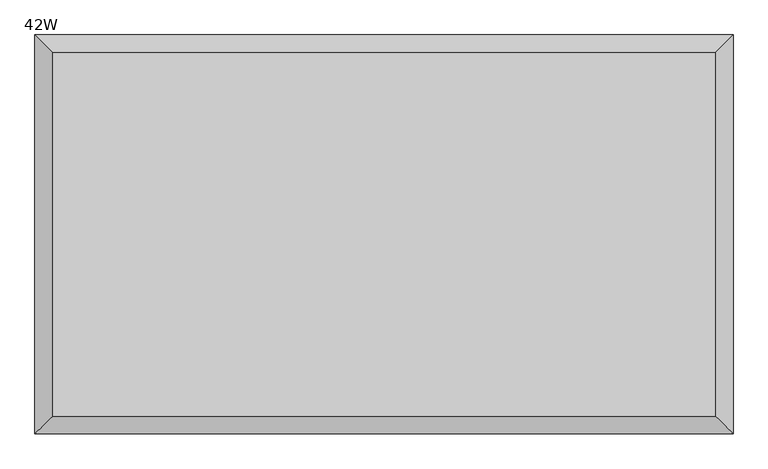
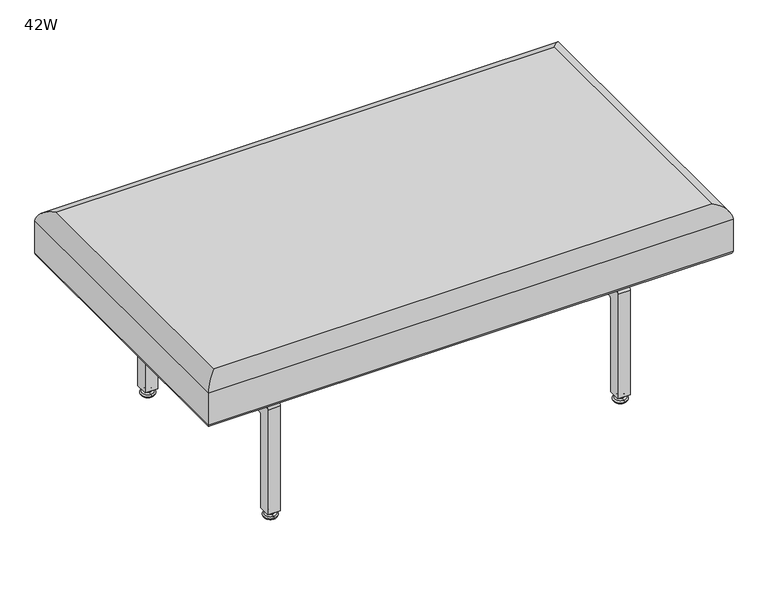
"""IFC4 building model written with IfcOpenShell, lengths in millimetres: furniture geometry, 42W."""

from ifc_helpers import new_model, si_unit, point, frame, frame_2d, origin, place, context, project, spatial, polyline, circle_curve, ellipse_curve, trimmed, segment, composite_curve, outline, extrude, source, transform, mapped, element, save
from ifc_brep_helpers import plane_surface, cylinder_surface, revolved_surface, advanced_brep


def furniture_42w_888a0bf0(model_context):
    return source(origin(), model_context, "Body", "SolidModel", [
        extrude(outline(composite_curve([segment(polyline([(-533.8314417, 14.1031489), (-533.8314417, 239.2936032)]), True, "CONTINUOUS"), segment(trimmed(circle_curve(frame_2d((-528.9508502, 239.2936032)), 4.8805915), [point((-533.8314417, 239.2936032))], [point((-528.9508502, 244.1741947))], False, "CARTESIAN"), True, "CONTINUOUS"), segment(polyline([(-528.9508502, 244.1741947), (-81.1347808, 244.1741947)]), True, "CONTINUOUS"), segment(trimmed(circle_curve(frame_2d((-81.1347808, 239.2936032)), 4.8805915), [point((-81.1347808, 244.1741947))], [point((-76.2541893, 239.2936032))], False, "CARTESIAN"), True, "CONTINUOUS"), segment(polyline([(-76.2541893, 239.2936032), (-76.2541893, 14.1031489), (-101.6541893, 14.1031489), (-101.6541893, 215.7082732)]), True, "CONTINUOUS"), segment(trimmed(circle_curve(frame_2d((-104.7201592, 215.7082732)), 3.06597), [point((-101.6541893, 215.7082732))], [point((-104.7201592, 218.7742432))], True, "CARTESIAN"), True, "CONTINUOUS"), segment(polyline([(-104.7201592, 218.7742432), (-505.3654717, 218.7742432)]), True, "CONTINUOUS"), segment(trimmed(circle_curve(frame_2d((-505.3654717, 215.7082732)), 3.06597), [point((-505.3654717, 218.7742432))], [point((-508.4314417, 215.7082732))], True, "CARTESIAN"), True, "CONTINUOUS"), segment(polyline([(-508.4314417, 215.7082732), (-508.4314417, 14.1031489), (-533.8314417, 14.1031489)]), True, "CONTINUOUS")], self_intersect=False)), frame((165.1, 0.0, 0.0), z_axis=(1.0, 0.0, 0.0), x_axis=(0.0, 1.0, 0.0)), (0.0, 0.0, 1.0), 25.4),
        extrude(outline(polyline([(211.3033329, -488.9499758), (144.6283329, -488.9499758), (144.6283329, -463.5233301), (211.3033329, -463.5233301), (211.3033329, -488.9499758)])), frame((0.0, 0.0, 244.2209457), z_axis=(0.0, 0.0, 1.0), x_axis=(1.0, 0.0, 0.0)), (0.0, 0.0, 1.0), 3.0479971),
        extrude(outline(polyline([(922.5034782, -488.9499758), (855.8284298, -488.9499758), (855.8284298, -463.5233301), (922.5034782, -463.5233301), (922.5034782, -488.9499758)])), frame((0.0, 0.0, 244.2209215), z_axis=(0.0, 0.0, 1.0), x_axis=(1.0, 0.0, 0.0)), (0.0, 0.0, 1.0), 3.0480213),
        advanced_brep(
        [(27.2635975, -27.2647171, 405.8895176), (27.2635975, -582.3355789, 405.8895176), (1039.5428944, -582.3355789, 405.8895176), (1039.5428944, -27.2647171, 405.8895176), (6.3491764, -603.25, 304.2919641), (6.3491764, -6.350296, 304.2919641), (1060.4573154, -6.350296, 304.2919641), (1060.4573154, -603.25, 304.2919641), (-0.0008236, -0.000296, 310.6419641), (-0.0008236, -609.6, 310.6419641), (-0.0008236, -609.6, 379.4503267), (-0.0008236, -0.000296, 379.4503267), (1066.8073154, -609.6, 310.6419641), (1066.8073154, -609.6, 379.4503267), (1066.8073154, -0.000296, 310.6419641), (1066.8073154, -0.000296, 379.4503267)],
        [
            (0, 1),
            (1, 2),
            (2, 3),
            (3, 0),
            (4, 5),
            (5, 6),
            (6, 7),
            (7, 4),
            (8, 5, ellipse_curve(frame((6.3491764, -6.350296, 310.6419641), z_axis=(-0.7071067811865475, -0.7071067811865475, 0.0), x_axis=(-0.7071067811865474, 0.7071067811865476, 0.0)), 8.9802561, 6.35)),
            (4, 9, ellipse_curve(frame((6.3491764, -603.25, 310.6419641), z_axis=(-0.7071067811865475, 0.7071067811865475, 0.0), x_axis=(0.7071067811865474, 0.7071067811865476, 0.0)), 8.9802561, 6.35)),
            (9, 8),
            (9, 10),
            (10, 11),
            (11, 8),
            (10, 1, ellipse_curve(frame((26.4508562, -583.1483202, 379.4503267), z_axis=(-0.7071067811865475, 0.7071067811865475, 0.0), x_axis=(0.7071067811865474, 0.7071067811865476, 0.0)), 37.4083243, 26.4516798)),
            (0, 11, ellipse_curve(frame((26.4508562, -26.4519758, 379.4503267), z_axis=(-0.7071067811865475, -0.7071067811865475, 0.0), x_axis=(-0.7071067811865474, 0.7071067811865476, 0.0)), 37.4083243, 26.4516798)),
            (7, 12, ellipse_curve(frame((1060.4573154, -603.25, 310.6419641), z_axis=(-0.7071067811865475, -0.7071067811865475, 0.0), x_axis=(-0.7071067811865476, 0.7071067811865474, 0.0)), 8.9802561, 6.35)),
            (12, 9),
            (12, 13),
            (13, 10),
            (13, 2, ellipse_curve(frame((1040.3556356, -583.1483202, 379.4503267), z_axis=(-0.7071067811865475, -0.7071067811865475, 0.0), x_axis=(-0.7071067811865476, 0.7071067811865474, 0.0)), 37.4083243, 26.4516798)),
            (6, 14, ellipse_curve(frame((1060.4573154, -6.350296, 310.6419641), z_axis=(0.7071067811865475, -0.7071067811865475, 0.0), x_axis=(-0.7071067811865474, -0.7071067811865476, 0.0)), 8.9802561, 6.35)),
            (14, 12),
            (14, 15),
            (15, 13),
            (15, 3, ellipse_curve(frame((1040.3556356, -26.4519758, 379.4503267), z_axis=(0.7071067811865475, -0.7071067811865475, 0.0), x_axis=(-0.7071067811865474, -0.7071067811865476, 0.0)), 37.4083243, 26.4516798)),
            (8, 14),
            (11, 15),
        ],
        [
            plane_surface(frame((27.2635975, -582.3355789, 405.8895176), z_axis=(0.0, 0.0, 1.0), x_axis=(1.0, 0.0, 0.0))),
            plane_surface(frame((27.2635975, -582.3355789, 304.2919641), z_axis=(0.0, 0.0, -1.0), x_axis=(-1.0, 0.0, 0.0))),
            cylinder_surface(frame((6.3491764, -27.2647171, 310.6419641), z_axis=(0.0, 1.0, 0.0), x_axis=(1.0, 0.0, 0.0)), 6.35),
            plane_surface(frame((-0.0008236, -0.000296, 310.6419641), z_axis=(-1.0, 0.0, 0.0), x_axis=(0.0, -1.0, 0.0))),
            cylinder_surface(frame((26.4508562, -27.2647171, 379.4503267), z_axis=(0.0, 1.0, 0.0), x_axis=(1.0, 0.0, 0.0)), 26.4516798),
            cylinder_surface(frame((27.2635975, -603.25, 310.6419641), z_axis=(-1.0, 0.0, 0.0), x_axis=(0.0, 1.0, 0.0)), 6.35),
            plane_surface(frame((-0.0008236, -609.6, 310.6419641), z_axis=(0.0, -1.0, 0.0), x_axis=(1.0, 0.0, 0.0))),
            cylinder_surface(frame((27.2635975, -583.1483202, 379.4503267), z_axis=(-1.0, 0.0, 0.0), x_axis=(0.0, 1.0, 0.0)), 26.4516798),
            cylinder_surface(frame((1060.4573154, -582.3355789, 310.6419641), z_axis=(0.0, -1.0, 0.0), x_axis=(-1.0, 0.0, 0.0)), 6.35),
            plane_surface(frame((1066.8073154, -609.6, 310.6419641), z_axis=(1.0, 0.0, 0.0), x_axis=(0.0, 1.0, 0.0))),
            cylinder_surface(frame((1040.3556356, -582.3355789, 379.4503267), z_axis=(0.0, -1.0, 0.0), x_axis=(-1.0, 0.0, 0.0)), 26.4516798),
            cylinder_surface(frame((1039.5428944, -6.350296, 310.6419641), z_axis=(1.0, 0.0, 0.0), x_axis=(0.0, -1.0, 0.0)), 6.35),
            plane_surface(frame((1066.8073154, -0.000296, 310.6419641), z_axis=(0.0, 1.0, 0.0), x_axis=(-1.0, 0.0, 0.0))),
            cylinder_surface(frame((1039.5428944, -26.4519758, 379.4503267), z_axis=(1.0, 0.0, 0.0), x_axis=(0.0, -1.0, 0.0)), 26.4516798),
        ],
        [
            (0, [[1, 2, 3, 4]]),
            (1, [[5, 6, 7, 8]]),
            (2, [[9, -5, 10, 11]]),
            (3, [[-11, 12, 13, 14]]),
            (4, [[-13, 15, -1, 16]]),
            (5, [[-10, -8, 17, 18]]),
            (6, [[-12, -18, 19, 20]]),
            (7, [[-15, -20, 21, -2]]),
            (8, [[-17, -7, 22, 23]]),
            (9, [[-19, -23, 24, 25]]),
            (10, [[-21, -25, 26, -3]]),
            (11, [[-9, 27, -22, -6]]),
            (12, [[-14, 28, -24, -27]]),
            (13, [[-16, -4, -26, -28]]),
        ],
    ),
        advanced_brep(
        [(889.0, -517.263053, 14.8752118), (889.0, -523.8864641, 14.8752118), (889.0, -520.5747585, 14.8752118), (889.0, -516.6761153, 13.858606), (889.0, -524.4734018, 13.858606), (889.0, -512.6441416, 11.2402116), (889.0, -528.5053755, 11.2402116), (889.0, -512.6441416, 8.74896), (889.0, -528.5053755, 8.74896), (889.0, -514.2258107, 8.74896), (889.0, -526.9237063, 8.74896), (889.0, -509.3661917, 5.9432577), (889.0, -531.7833254, 5.9432577), (889.0, -506.175536, 3.5556814), (889.0, -534.9739811, 3.5556814), (889.0, -508.2284272, 0.0), (889.0, -532.9210899, 0.0), (889.0, -520.5747585, 0.0)],
        [
            (0, 1, circle_curve(frame((889.0, -520.5747585, 14.8752118), z_axis=(0.0, 0.0, 1.0), x_axis=(0.0, -1.0, 0.0)), 3.3117056)),
            (1, 2),
            (2, 0),
            (1, 0, circle_curve(frame((889.0, -520.5747585, 14.8752118), z_axis=(0.0, 0.0, 1.0), x_axis=(0.0, -1.0, 0.0)), 3.3117056)),
            (3, 4, circle_curve(frame((889.0, -520.5747585, 13.858606), z_axis=(0.0, 0.0, 1.0), x_axis=(0.0, -1.0, 0.0)), 3.8986433)),
            (4, 1),
            (0, 3),
            (4, 3, circle_curve(frame((889.0, -520.5747585, 13.858606), z_axis=(0.0, 0.0, 1.0), x_axis=(0.0, -1.0, 0.0)), 3.8986433)),
            (5, 6, circle_curve(frame((889.0, -520.5747585, 11.2402116), z_axis=(0.0, 0.0, 1.0), x_axis=(0.0, -1.0, 0.0)), 7.930617)),
            (6, 4),
            (3, 5),
            (6, 5, circle_curve(frame((889.0, -520.5747585, 11.2402116), z_axis=(0.0, 0.0, 1.0), x_axis=(0.0, -1.0, 0.0)), 7.930617)),
            (7, 8, circle_curve(frame((889.0, -520.5747585, 8.74896), z_axis=(0.0, 0.0, 1.0), x_axis=(0.0, -1.0, 0.0)), 7.930617)),
            (8, 6),
            (5, 7),
            (8, 7, circle_curve(frame((889.0, -520.5747585, 8.74896), z_axis=(0.0, 0.0, 1.0), x_axis=(0.0, -1.0, 0.0)), 7.930617)),
            (9, 10, circle_curve(frame((889.0, -520.5747585, 8.74896), z_axis=(0.0, 0.0, 1.0), x_axis=(0.0, -1.0, 0.0)), 6.3489478)),
            (10, 8),
            (7, 9),
            (10, 9, circle_curve(frame((889.0, -520.5747585, 8.74896), z_axis=(0.0, 0.0, 1.0), x_axis=(0.0, -1.0, 0.0)), 6.3489478)),
            (11, 12, circle_curve(frame((889.0, -520.5747585, 5.9432577), z_axis=(0.0, 0.0, 1.0), x_axis=(0.0, -1.0, 0.0)), 11.2085669)),
            (12, 10, circle_curve(frame((889.0, -531.4359513, 10.9529929), z_axis=(1.0, 0.0, 0.0), x_axis=(0.0, -1.0, 0.0)), 5.0217642)),
            (9, 11, circle_curve(frame((889.0, -509.7135657, 10.9529929), z_axis=(1.0, 0.0, 0.0), x_axis=(0.0, 1.0, 0.0)), 5.0217642)),
            (12, 11, circle_curve(frame((889.0, -520.5747585, 5.9432577), z_axis=(0.0, 0.0, 1.0), x_axis=(0.0, -1.0, 0.0)), 11.2085669)),
            (13, 14, circle_curve(frame((889.0, -520.5747585, 3.5556814), z_axis=(0.0, 0.0, 1.0), x_axis=(0.0, -1.0, 0.0)), 14.3992226)),
            (14, 12, circle_curve(frame((889.0, -531.9943736, 2.8995769), z_axis=(-1.0, 0.0, 0.0), x_axis=(0.0, -1.0, 0.0)), 3.050989)),
            (11, 13, circle_curve(frame((889.0, -509.1551434, 2.8995769), z_axis=(-1.0, 0.0, 0.0), x_axis=(0.0, 1.0, 0.0)), 3.050989)),
            (14, 13, circle_curve(frame((889.0, -520.5747585, 3.5556814), z_axis=(0.0, 0.0, 1.0), x_axis=(0.0, -1.0, 0.0)), 14.3992226)),
            (15, 16, circle_curve(frame((889.0, -520.5747585, 0.0), z_axis=(0.0, 0.0, 1.0), x_axis=(0.0, -1.0, 0.0)), 12.3463313)),
            (16, 14),
            (13, 15),
            (16, 15, circle_curve(frame((889.0, -520.5747585, 0.0), z_axis=(0.0, 0.0, 1.0), x_axis=(0.0, -1.0, 0.0)), 12.3463313)),
            (17, 16),
            (15, 17),
        ],
        [
            plane_surface(frame((889.0, -520.5747585, 14.8752118), z_axis=(0.0, 0.0, 1.0), x_axis=(0.0, -1.0, 0.0))),
            revolved_surface(polyline([(889.0, -523.8864641, 14.8752118), (889.0, -524.4734018, 13.858606)]), (889.0, -520.5747585, 0.0), (0.0, 0.0, -1.0)),
            revolved_surface(polyline([(889.0, -524.4734018, 13.858606), (889.0, -528.5053755, 11.2402116)]), (889.0, -520.5747585, 0.0), (0.0, 0.0, -1.0)),
            cylinder_surface(frame((889.0, -520.5747585, 0.0), z_axis=(0.0, 0.0, -1.0), x_axis=(0.0, -1.0, 0.0)), 7.930617),
            plane_surface(frame((889.0, -520.5747585, 8.74896), z_axis=(0.0, 0.0, -1.0), x_axis=(0.0, -1.0, 0.0))),
            revolved_surface(trimmed(ellipse_curve(frame((889.0, -531.4359513, 10.9529929), z_axis=(-1.0, 0.0, 0.0), x_axis=(0.0, -1.0, 0.0)), 5.0217642, 5.0217642), [point((889.0, -526.9237063, 8.74896))], [point((889.0, -531.7833254, 5.9432577))], True, "CARTESIAN"), (889.0, -520.5747585, 0.0), (0.0, 0.0, -1.0)),
            revolved_surface(trimmed(ellipse_curve(frame((889.0, -531.9943736, 2.8995769), z_axis=(1.0, 0.0, 0.0), x_axis=(0.0, -1.0, 0.0)), 3.050989, 3.050989), [point((889.0, -531.7833254, 5.9432577))], [point((889.0, -534.9739811, 3.5556814))], True, "CARTESIAN"), (889.0, -520.5747585, 0.0), (0.0, 0.0, -1.0)),
            revolved_surface(polyline([(889.0, -534.9739811, 3.5556814), (889.0, -532.9210899, 0.0)]), (889.0, -520.5747585, 0.0), (0.0, 0.0, -1.0)),
            plane_surface(frame((889.0, -520.5747585, 0.0), z_axis=(0.0, 0.0, -1.0), x_axis=(0.0, -1.0, 0.0))),
        ],
        [
            (0, [[1, 2, 3]]),
            (0, [[4, -3, -2]]),
            (1, [[5, 6, -1, 7]]),
            (1, [[8, -7, -4, -6]]),
            (2, [[9, 10, -5, 11]]),
            (2, [[12, -11, -8, -10]]),
            (3, [[13, 14, -9, 15]]),
            (3, [[16, -15, -12, -14]]),
            (4, [[17, 18, -13, 19]]),
            (4, [[20, -19, -16, -18]]),
            (5, [[21, 22, -17, 23]]),
            (5, [[24, -23, -20, -22]]),
            (6, [[25, 26, -21, 27]]),
            (6, [[28, -27, -24, -26]]),
            (7, [[29, 30, -25, 31]]),
            (7, [[32, -31, -28, -30]]),
            (8, [[33, -29, 34]]),
            (8, [[-34, -32, -33]]),
        ],
    ),
        advanced_brep(
        [(889.0, -89.0117226, 14.8752118), (889.0, -85.700017, 14.8752118), (889.0, -92.3234282, 14.8752118), (889.0, -85.1130793, 13.858606), (889.0, -92.9103659, 13.858606), (889.0, -81.0811056, 11.2402116), (889.0, -96.9423395, 11.2402116), (889.0, -81.0811056, 8.74896), (889.0, -96.9423395, 8.74896), (889.0, -82.6627748, 8.74896), (889.0, -95.3606704, 8.74896), (889.0, -77.8031557, 5.9432577), (889.0, -100.2202895, 5.9432577), (889.0, -74.6125, 3.5556814), (889.0, -103.4109452, 3.5556814), (889.0, -76.6653912, 0.0), (889.0, -101.3580539, 0.0), (889.0, -89.0117226, 0.0)],
        [
            (0, 1),
            (1, 2, circle_curve(frame((889.0, -89.0117226, 14.8752118), z_axis=(0.0, 0.0, 1.0), x_axis=(0.0, 1.0, 0.0)), 3.3117056)),
            (2, 0),
            (2, 1, circle_curve(frame((889.0, -89.0117226, 14.8752118), z_axis=(0.0, 0.0, 1.0), x_axis=(0.0, 1.0, 0.0)), 3.3117056)),
            (1, 3),
            (3, 4, circle_curve(frame((889.0, -89.0117226, 13.858606), z_axis=(0.0, 0.0, 1.0), x_axis=(0.0, 1.0, 0.0)), 3.8986433)),
            (4, 2),
            (4, 3, circle_curve(frame((889.0, -89.0117226, 13.858606), z_axis=(0.0, 0.0, 1.0), x_axis=(0.0, 1.0, 0.0)), 3.8986433)),
            (3, 5),
            (5, 6, circle_curve(frame((889.0, -89.0117226, 11.2402116), z_axis=(0.0, 0.0, 1.0), x_axis=(0.0, 1.0, 0.0)), 7.930617)),
            (6, 4),
            (6, 5, circle_curve(frame((889.0, -89.0117226, 11.2402116), z_axis=(0.0, 0.0, 1.0), x_axis=(0.0, 1.0, 0.0)), 7.930617)),
            (5, 7),
            (7, 8, circle_curve(frame((889.0, -89.0117226, 8.74896), z_axis=(0.0, 0.0, 1.0), x_axis=(0.0, 1.0, 0.0)), 7.930617)),
            (8, 6),
            (8, 7, circle_curve(frame((889.0, -89.0117226, 8.74896), z_axis=(0.0, 0.0, 1.0), x_axis=(0.0, 1.0, 0.0)), 7.930617)),
            (7, 9),
            (9, 10, circle_curve(frame((889.0, -89.0117226, 8.74896), z_axis=(0.0, 0.0, 1.0), x_axis=(0.0, 1.0, 0.0)), 6.3489478)),
            (10, 8),
            (10, 9, circle_curve(frame((889.0, -89.0117226, 8.74896), z_axis=(0.0, 0.0, 1.0), x_axis=(0.0, 1.0, 0.0)), 6.3489478)),
            (9, 11, circle_curve(frame((889.0, -78.1505298, 10.9529929), z_axis=(1.0, 0.0, 0.0), x_axis=(0.0, -1.0, 0.0)), 5.0217642)),
            (11, 12, circle_curve(frame((889.0, -89.0117226, 5.9432577), z_axis=(0.0, 0.0, 1.0), x_axis=(0.0, 1.0, 0.0)), 11.2085669)),
            (12, 10, circle_curve(frame((889.0, -99.8729154, 10.9529929), z_axis=(1.0, 0.0, 0.0), x_axis=(0.0, 1.0, 0.0)), 5.0217642)),
            (12, 11, circle_curve(frame((889.0, -89.0117226, 5.9432577), z_axis=(0.0, 0.0, 1.0), x_axis=(0.0, 1.0, 0.0)), 11.2085669)),
            (11, 13, circle_curve(frame((889.0, -77.5921075, 2.8995769), z_axis=(-1.0, 0.0, 0.0), x_axis=(0.0, -1.0, 0.0)), 3.050989)),
            (13, 14, circle_curve(frame((889.0, -89.0117226, 3.5556814), z_axis=(0.0, 0.0, 1.0), x_axis=(0.0, 1.0, 0.0)), 14.3992226)),
            (14, 12, circle_curve(frame((889.0, -100.4313377, 2.8995769), z_axis=(-1.0, 0.0, 0.0), x_axis=(0.0, 1.0, 0.0)), 3.050989)),
            (14, 13, circle_curve(frame((889.0, -89.0117226, 3.5556814), z_axis=(0.0, 0.0, 1.0), x_axis=(0.0, 1.0, 0.0)), 14.3992226)),
            (13, 15),
            (15, 16, circle_curve(frame((889.0, -89.0117226, 0.0), z_axis=(0.0, 0.0, 1.0), x_axis=(0.0, 1.0, 0.0)), 12.3463313)),
            (16, 14),
            (16, 15, circle_curve(frame((889.0, -89.0117226, 0.0), z_axis=(0.0, 0.0, 1.0), x_axis=(0.0, 1.0, 0.0)), 12.3463313)),
            (15, 17),
            (17, 16),
        ],
        [
            plane_surface(frame((889.0, -89.0117226, 14.8752118), z_axis=(0.0, 0.0, 1.0), x_axis=(0.0, 1.0, 0.0))),
            revolved_surface(polyline([(889.0, -85.1130793, 13.858606), (889.0, -85.700017, 14.8752118)]), (889.0, -89.0117226, 0.0), (0.0, 0.0, 1.0)),
            revolved_surface(polyline([(889.0, -81.0811056, 11.2402116), (889.0, -85.1130793, 13.858606)]), (889.0, -89.0117226, 0.0), (0.0, 0.0, 1.0)),
            cylinder_surface(frame((889.0, -89.0117226, 0.0), z_axis=(0.0, 0.0, 1.0), x_axis=(0.0, 1.0, 0.0)), 7.930617),
            plane_surface(frame((889.0, -89.0117226, 8.74896), z_axis=(0.0, 0.0, -1.0), x_axis=(0.0, 1.0, 0.0))),
            revolved_surface(trimmed(ellipse_curve(frame((889.0, -78.1505298, 10.9529929), z_axis=(-1.0, 0.0, 0.0), x_axis=(0.0, -1.0, 0.0)), 5.0217642, 5.0217642), [point((889.0, -77.8031557, 5.9432577))], [point((889.0, -82.6627748, 8.74896))], True, "CARTESIAN"), (889.0, -89.0117226, 0.0), (0.0, 0.0, 1.0)),
            revolved_surface(trimmed(ellipse_curve(frame((889.0, -77.5921075, 2.8995769), z_axis=(1.0, 0.0, 0.0), x_axis=(0.0, -1.0, 0.0)), 3.050989, 3.050989), [point((889.0, -74.6125, 3.5556814))], [point((889.0, -77.8031557, 5.9432577))], True, "CARTESIAN"), (889.0, -89.0117226, 0.0), (0.0, 0.0, 1.0)),
            revolved_surface(polyline([(889.0, -76.6653912, 0.0), (889.0, -74.6125, 3.5556814)]), (889.0, -89.0117226, 0.0), (0.0, 0.0, 1.0)),
            plane_surface(frame((889.0, -89.0117226, 0.0), z_axis=(0.0, 0.0, -1.0), x_axis=(0.0, 1.0, 0.0))),
        ],
        [
            (0, [[1, 2, 3]]),
            (0, [[-3, 4, -1]]),
            (1, [[-2, 5, 6, 7]]),
            (1, [[-4, -7, 8, -5]]),
            (2, [[-6, 9, 10, 11]]),
            (2, [[-8, -11, 12, -9]]),
            (3, [[-10, 13, 14, 15]]),
            (3, [[-12, -15, 16, -13]]),
            (4, [[-14, 17, 18, 19]]),
            (4, [[-16, -19, 20, -17]]),
            (5, [[-18, 21, 22, 23]]),
            (5, [[-20, -23, 24, -21]]),
            (6, [[-22, 25, 26, 27]]),
            (6, [[-24, -27, 28, -25]]),
            (7, [[-26, 29, 30, 31]]),
            (7, [[-28, -31, 32, -29]]),
            (8, [[-30, 33, 34]]),
            (8, [[-32, -34, -33]]),
        ],
    ),
        advanced_brep(
        [(177.8, -520.5747585, 14.8752118), (177.8, -523.8864641, 14.8752118), (177.8, -517.263053, 14.8752118), (177.8, -524.4734018, 13.858606), (177.8, -516.6761153, 13.858606), (177.8, -528.5053755, 11.2402116), (177.8, -512.6441416, 11.2402116), (177.8, -528.5053755, 8.74896), (177.8, -512.6441416, 8.74896), (177.8, -526.9237063, 8.74896), (177.8, -514.2258107, 8.74896), (177.8, -531.7833254, 5.9432577), (177.8, -509.3661917, 5.9432577), (177.8, -534.9739811, 3.5556814), (177.8, -506.175536, 3.5556814), (177.8, -532.9210899, 0.0), (177.8, -508.2284272, 0.0), (177.8, -520.5747585, 0.0)],
        [
            (0, 1),
            (1, 2, circle_curve(frame((177.8, -520.5747585, 14.8752118), z_axis=(0.0, 0.0, 1.0), x_axis=(0.0, -1.0, 0.0)), 3.3117056)),
            (2, 0),
            (2, 1, circle_curve(frame((177.8, -520.5747585, 14.8752118), z_axis=(0.0, 0.0, 1.0), x_axis=(0.0, -1.0, 0.0)), 3.3117056)),
            (1, 3),
            (3, 4, circle_curve(frame((177.8, -520.5747585, 13.858606), z_axis=(0.0, 0.0, 1.0), x_axis=(0.0, -1.0, 0.0)), 3.8986433)),
            (4, 2),
            (4, 3, circle_curve(frame((177.8, -520.5747585, 13.858606), z_axis=(0.0, 0.0, 1.0), x_axis=(0.0, -1.0, 0.0)), 3.8986433)),
            (3, 5),
            (5, 6, circle_curve(frame((177.8, -520.5747585, 11.2402116), z_axis=(0.0, 0.0, 1.0), x_axis=(0.0, -1.0, 0.0)), 7.930617)),
            (6, 4),
            (6, 5, circle_curve(frame((177.8, -520.5747585, 11.2402116), z_axis=(0.0, 0.0, 1.0), x_axis=(0.0, -1.0, 0.0)), 7.930617)),
            (5, 7),
            (7, 8, circle_curve(frame((177.8, -520.5747585, 8.74896), z_axis=(0.0, 0.0, 1.0), x_axis=(0.0, -1.0, 0.0)), 7.930617)),
            (8, 6),
            (8, 7, circle_curve(frame((177.8, -520.5747585, 8.74896), z_axis=(0.0, 0.0, 1.0), x_axis=(0.0, -1.0, 0.0)), 7.930617)),
            (7, 9),
            (9, 10, circle_curve(frame((177.8, -520.5747585, 8.74896), z_axis=(0.0, 0.0, 1.0), x_axis=(0.0, -1.0, 0.0)), 6.3489478)),
            (10, 8),
            (10, 9, circle_curve(frame((177.8, -520.5747585, 8.74896), z_axis=(0.0, 0.0, 1.0), x_axis=(0.0, -1.0, 0.0)), 6.3489478)),
            (9, 11, circle_curve(frame((177.8, -531.4359513, 10.9529929), z_axis=(-1.0, 0.0, 0.0), x_axis=(0.0, -1.0, 0.0)), 5.0217642)),
            (11, 12, circle_curve(frame((177.8, -520.5747585, 5.9432577), z_axis=(0.0, 0.0, 1.0), x_axis=(0.0, -1.0, 0.0)), 11.2085669)),
            (12, 10, circle_curve(frame((177.8, -509.7135657, 10.9529929), z_axis=(-1.0, 0.0, 0.0), x_axis=(0.0, 1.0, 0.0)), 5.0217642)),
            (12, 11, circle_curve(frame((177.8, -520.5747585, 5.9432577), z_axis=(0.0, 0.0, 1.0), x_axis=(0.0, -1.0, 0.0)), 11.2085669)),
            (11, 13, circle_curve(frame((177.8, -531.9943736, 2.8995769), z_axis=(1.0, 0.0, 0.0), x_axis=(0.0, -1.0, 0.0)), 3.050989)),
            (13, 14, circle_curve(frame((177.8, -520.5747585, 3.5556814), z_axis=(0.0, 0.0, 1.0), x_axis=(0.0, -1.0, 0.0)), 14.3992226)),
            (14, 12, circle_curve(frame((177.8, -509.1551434, 2.8995769), z_axis=(1.0, 0.0, 0.0), x_axis=(0.0, 1.0, 0.0)), 3.050989)),
            (14, 13, circle_curve(frame((177.8, -520.5747585, 3.5556814), z_axis=(0.0, 0.0, 1.0), x_axis=(0.0, -1.0, 0.0)), 14.3992226)),
            (13, 15),
            (15, 16, circle_curve(frame((177.8, -520.5747585, 0.0), z_axis=(0.0, 0.0, 1.0), x_axis=(0.0, -1.0, 0.0)), 12.3463313)),
            (16, 14),
            (16, 15, circle_curve(frame((177.8, -520.5747585, 0.0), z_axis=(0.0, 0.0, 1.0), x_axis=(0.0, -1.0, 0.0)), 12.3463313)),
            (15, 17),
            (17, 16),
        ],
        [
            plane_surface(frame((177.8, -520.5747585, 14.8752118), z_axis=(0.0, 0.0, 1.0), x_axis=(0.0, -1.0, 0.0))),
            revolved_surface(polyline([(177.8, -524.4734018, 13.858606), (177.8, -523.8864641, 14.8752118)]), (177.8, -520.5747585, 0.0), (0.0, 0.0, 1.0)),
            revolved_surface(polyline([(177.8, -528.5053755, 11.2402116), (177.8, -524.4734018, 13.858606)]), (177.8, -520.5747585, 0.0), (0.0, 0.0, 1.0)),
            cylinder_surface(frame((177.8, -520.5747585, 0.0), z_axis=(0.0, 0.0, 1.0), x_axis=(0.0, -1.0, 0.0)), 7.930617),
            plane_surface(frame((177.8, -520.5747585, 8.74896), z_axis=(0.0, 0.0, -1.0), x_axis=(0.0, -1.0, 0.0))),
            revolved_surface(trimmed(ellipse_curve(frame((177.8, -531.4359513, 10.9529929), z_axis=(1.0, 0.0, 0.0), x_axis=(0.0, -1.0, 0.0)), 5.0217642, 5.0217642), [point((177.8, -531.7833254, 5.9432577))], [point((177.8, -526.9237063, 8.74896))], True, "CARTESIAN"), (177.8, -520.5747585, 0.0), (0.0, 0.0, 1.0)),
            revolved_surface(trimmed(ellipse_curve(frame((177.8, -531.9943736, 2.8995769), z_axis=(-1.0, 0.0, 0.0), x_axis=(0.0, -1.0, 0.0)), 3.050989, 3.050989), [point((177.8, -534.9739811, 3.5556814))], [point((177.8, -531.7833254, 5.9432577))], True, "CARTESIAN"), (177.8, -520.5747585, 0.0), (0.0, 0.0, 1.0)),
            revolved_surface(polyline([(177.8, -532.9210899, 0.0), (177.8, -534.9739811, 3.5556814)]), (177.8, -520.5747585, 0.0), (0.0, 0.0, 1.0)),
            plane_surface(frame((177.8, -520.5747585, 0.0), z_axis=(0.0, 0.0, -1.0), x_axis=(0.0, -1.0, 0.0))),
        ],
        [
            (0, [[1, 2, 3]]),
            (0, [[-3, 4, -1]]),
            (1, [[-2, 5, 6, 7]]),
            (1, [[-4, -7, 8, -5]]),
            (2, [[-6, 9, 10, 11]]),
            (2, [[-8, -11, 12, -9]]),
            (3, [[-10, 13, 14, 15]]),
            (3, [[-12, -15, 16, -13]]),
            (4, [[-14, 17, 18, 19]]),
            (4, [[-16, -19, 20, -17]]),
            (5, [[-18, 21, 22, 23]]),
            (5, [[-20, -23, 24, -21]]),
            (6, [[-22, 25, 26, 27]]),
            (6, [[-24, -27, 28, -25]]),
            (7, [[-26, 29, 30, 31]]),
            (7, [[-28, -31, 32, -29]]),
            (8, [[-30, 33, 34]]),
            (8, [[-32, -34, -33]]),
        ],
    ),
        advanced_brep(
        [(177.8, -92.3234282, 14.8752118), (177.8, -85.700017, 14.8752118), (177.8, -89.0117226, 14.8752118), (177.8, -92.9103659, 13.858606), (177.8, -85.1130793, 13.858606), (177.8, -96.9423395, 11.2402116), (177.8, -81.0811056, 11.2402116), (177.8, -96.9423395, 8.74896), (177.8, -81.0811056, 8.74896), (177.8, -95.3606704, 8.74896), (177.8, -82.6627748, 8.74896), (177.8, -100.2202895, 5.9432577), (177.8, -77.8031557, 5.9432577), (177.8, -103.4109452, 3.5556814), (177.8, -74.6125, 3.5556814), (177.8, -101.3580539, 0.0), (177.8, -76.6653912, 0.0), (177.8, -89.0117226, 0.0)],
        [
            (0, 1, circle_curve(frame((177.8, -89.0117226, 14.8752118), z_axis=(0.0, 0.0, 1.0), x_axis=(0.0, 1.0, 0.0)), 3.3117056)),
            (1, 2),
            (2, 0),
            (1, 0, circle_curve(frame((177.8, -89.0117226, 14.8752118), z_axis=(0.0, 0.0, 1.0), x_axis=(0.0, 1.0, 0.0)), 3.3117056)),
            (3, 4, circle_curve(frame((177.8, -89.0117226, 13.858606), z_axis=(0.0, 0.0, 1.0), x_axis=(0.0, 1.0, 0.0)), 3.8986433)),
            (4, 1),
            (0, 3),
            (4, 3, circle_curve(frame((177.8, -89.0117226, 13.858606), z_axis=(0.0, 0.0, 1.0), x_axis=(0.0, 1.0, 0.0)), 3.8986433)),
            (5, 6, circle_curve(frame((177.8, -89.0117226, 11.2402116), z_axis=(0.0, 0.0, 1.0), x_axis=(0.0, 1.0, 0.0)), 7.930617)),
            (6, 4),
            (3, 5),
            (6, 5, circle_curve(frame((177.8, -89.0117226, 11.2402116), z_axis=(0.0, 0.0, 1.0), x_axis=(0.0, 1.0, 0.0)), 7.930617)),
            (7, 8, circle_curve(frame((177.8, -89.0117226, 8.74896), z_axis=(0.0, 0.0, 1.0), x_axis=(0.0, 1.0, 0.0)), 7.930617)),
            (8, 6),
            (5, 7),
            (8, 7, circle_curve(frame((177.8, -89.0117226, 8.74896), z_axis=(0.0, 0.0, 1.0), x_axis=(0.0, 1.0, 0.0)), 7.930617)),
            (9, 10, circle_curve(frame((177.8, -89.0117226, 8.74896), z_axis=(0.0, 0.0, 1.0), x_axis=(0.0, 1.0, 0.0)), 6.3489478)),
            (10, 8),
            (7, 9),
            (10, 9, circle_curve(frame((177.8, -89.0117226, 8.74896), z_axis=(0.0, 0.0, 1.0), x_axis=(0.0, 1.0, 0.0)), 6.3489478)),
            (11, 12, circle_curve(frame((177.8, -89.0117226, 5.9432577), z_axis=(0.0, 0.0, 1.0), x_axis=(0.0, 1.0, 0.0)), 11.2085669)),
            (12, 10, circle_curve(frame((177.8, -78.1505298, 10.9529929), z_axis=(-1.0, 0.0, 0.0), x_axis=(0.0, -1.0, 0.0)), 5.0217642)),
            (9, 11, circle_curve(frame((177.8, -99.8729154, 10.9529929), z_axis=(-1.0, 0.0, 0.0), x_axis=(0.0, 1.0, 0.0)), 5.0217642)),
            (12, 11, circle_curve(frame((177.8, -89.0117226, 5.9432577), z_axis=(0.0, 0.0, 1.0), x_axis=(0.0, 1.0, 0.0)), 11.2085669)),
            (13, 14, circle_curve(frame((177.8, -89.0117226, 3.5556814), z_axis=(0.0, 0.0, 1.0), x_axis=(0.0, 1.0, 0.0)), 14.3992226)),
            (14, 12, circle_curve(frame((177.8, -77.5921075, 2.8995769), z_axis=(1.0, 0.0, 0.0), x_axis=(0.0, -1.0, 0.0)), 3.050989)),
            (11, 13, circle_curve(frame((177.8, -100.4313377, 2.8995769), z_axis=(1.0, 0.0, 0.0), x_axis=(0.0, 1.0, 0.0)), 3.050989)),
            (14, 13, circle_curve(frame((177.8, -89.0117226, 3.5556814), z_axis=(0.0, 0.0, 1.0), x_axis=(0.0, 1.0, 0.0)), 14.3992226)),
            (15, 16, circle_curve(frame((177.8, -89.0117226, 0.0), z_axis=(0.0, 0.0, 1.0), x_axis=(0.0, 1.0, 0.0)), 12.3463313)),
            (16, 14),
            (13, 15),
            (16, 15, circle_curve(frame((177.8, -89.0117226, 0.0), z_axis=(0.0, 0.0, 1.0), x_axis=(0.0, 1.0, 0.0)), 12.3463313)),
            (17, 16),
            (15, 17),
        ],
        [
            plane_surface(frame((177.8, -89.0117226, 14.8752118), z_axis=(0.0, 0.0, 1.0), x_axis=(0.0, 1.0, 0.0))),
            revolved_surface(polyline([(177.8, -85.700017, 14.8752118), (177.8, -85.1130793, 13.858606)]), (177.8, -89.0117226, 0.0), (0.0, 0.0, -1.0)),
            revolved_surface(polyline([(177.8, -85.1130793, 13.858606), (177.8, -81.0811056, 11.2402116)]), (177.8, -89.0117226, 0.0), (0.0, 0.0, -1.0)),
            cylinder_surface(frame((177.8, -89.0117226, 0.0), z_axis=(0.0, 0.0, -1.0), x_axis=(0.0, 1.0, 0.0)), 7.930617),
            plane_surface(frame((177.8, -89.0117226, 8.74896), z_axis=(0.0, 0.0, -1.0), x_axis=(0.0, 1.0, 0.0))),
            revolved_surface(trimmed(ellipse_curve(frame((177.8, -78.1505298, 10.9529929), z_axis=(1.0, 0.0, 0.0), x_axis=(0.0, -1.0, 0.0)), 5.0217642, 5.0217642), [point((177.8, -82.6627748, 8.74896))], [point((177.8, -77.8031557, 5.9432577))], True, "CARTESIAN"), (177.8, -89.0117226, 0.0), (0.0, 0.0, -1.0)),
            revolved_surface(trimmed(ellipse_curve(frame((177.8, -77.5921075, 2.8995769), z_axis=(-1.0, 0.0, 0.0), x_axis=(0.0, -1.0, 0.0)), 3.050989, 3.050989), [point((177.8, -77.8031557, 5.9432577))], [point((177.8, -74.6125, 3.5556814))], True, "CARTESIAN"), (177.8, -89.0117226, 0.0), (0.0, 0.0, -1.0)),
            revolved_surface(polyline([(177.8, -74.6125, 3.5556814), (177.8, -76.6653912, 0.0)]), (177.8, -89.0117226, 0.0), (0.0, 0.0, -1.0)),
            plane_surface(frame((177.8, -89.0117226, 0.0), z_axis=(0.0, 0.0, -1.0), x_axis=(0.0, 1.0, 0.0))),
        ],
        [
            (0, [[1, 2, 3]]),
            (0, [[4, -3, -2]]),
            (1, [[5, 6, -1, 7]]),
            (1, [[8, -7, -4, -6]]),
            (2, [[9, 10, -5, 11]]),
            (2, [[12, -11, -8, -10]]),
            (3, [[13, 14, -9, 15]]),
            (3, [[16, -15, -12, -14]]),
            (4, [[17, 18, -13, 19]]),
            (4, [[20, -19, -16, -18]]),
            (5, [[21, 22, -17, 23]]),
            (5, [[24, -23, -20, -22]]),
            (6, [[25, 26, -21, 27]]),
            (6, [[28, -27, -24, -26]]),
            (7, [[29, 30, -25, 31]]),
            (7, [[32, -31, -28, -30]]),
            (8, [[33, -29, 34]]),
            (8, [[-34, -32, -33]]),
        ],
    ),
        advanced_brep(
        [(967.4864869, -102.5556587, 302.386969), (99.3135131, -102.5556587, 302.386969), (99.246985, -102.5556587, 304.2920853), (967.553015, -102.5556587, 304.2920853), (99.246985, -164.2248118, 304.2920853), (967.553015, -164.2248118, 304.2920853), (99.3135131, -164.2248118, 302.386969), (967.4864869, -164.2248118, 302.386969), (99.3135131, -150.0120949, 302.386969), (967.4864869, -150.0120949, 302.386969), (99.3459283, -149.0838446, 301.4587187), (967.4540717, -149.0838446, 301.4587187), (101.1356016, -149.0838446, 250.2091797), (965.6643984, -149.0838446, 250.2091797), (101.2647214, -145.386338, 246.5116732), (965.5352786, -145.386338, 246.5116732), (101.2647214, -121.5872527, 246.5116732), (965.5352786, -121.5872527, 246.5116732), (101.1305374, -117.7447262, 250.3541997), (965.6694626, -117.7447262, 250.3541997), (99.3489926, -117.7447262, 301.370969), (967.4510074, -117.7447262, 301.370969), (99.3135131, -116.7287262, 302.386969), (967.4864869, -116.7287262, 302.386969)],
        [
            (0, 1),
            (1, 2),
            (2, 3),
            (3, 0),
            (2, 4),
            (4, 5),
            (5, 3),
            (4, 6),
            (6, 7),
            (7, 5),
            (6, 8),
            (8, 9),
            (9, 7),
            (8, 10, ellipse_curve(frame((99.3459283, -150.0120949, 301.4587187), z_axis=(-0.9993908270190957, 0.0, -0.03489949670250247), x_axis=(-0.03489949670250337, 0.0, 0.9993908270190957)), 0.9288161, 0.9282503)),
            (10, 11),
            (11, 9, ellipse_curve(frame((967.4540717, -150.0120949, 301.4587187), z_axis=(0.9993908270190958, 0.0, -0.034899496702500345), x_axis=(-0.03489949670249913, 0.0, -0.9993908270190959)), 0.9288161, 0.9282503)),
            (10, 12),
            (12, 13),
            (13, 11),
            (12, 14, ellipse_curve(frame((101.1356016, -145.386338, 250.2091797), z_axis=(0.9993908270190957, 0.0, 0.03489949670250247), x_axis=(0.03489949670250337, 0.0, -0.9993908270190957)), 3.6997604, 3.6975066)),
            (14, 15),
            (15, 13, ellipse_curve(frame((965.6643984, -145.386338, 250.2091797), z_axis=(-0.9993908270190958, 0.0, 0.034899496702500345), x_axis=(0.03489949670249913, 0.0, 0.9993908270190959)), 3.6997604, 3.6975066)),
            (14, 16),
            (16, 17),
            (17, 15),
            (16, 18, ellipse_curve(frame((101.1305374, -121.5872527, 250.3541997), z_axis=(0.9993908270190957, 0.0, 0.03489949670250247), x_axis=(0.03489949670250337, 0.0, -0.9993908270190957)), 3.8448687, 3.8425266)),
            (18, 19),
            (19, 17, ellipse_curve(frame((965.6694626, -121.5872527, 250.3541997), z_axis=(-0.9993908270190958, 0.0, 0.034899496702500345), x_axis=(0.03489949670249913, 0.0, 0.9993908270190959)), 3.8448687, 3.8425266)),
            (18, 20),
            (20, 21),
            (21, 19),
            (20, 22, ellipse_curve(frame((99.3489926, -116.7287262, 301.370969), z_axis=(-0.9993908270190957, 0.0, -0.03489949670250247), x_axis=(-0.03489949670250337, 0.0, 0.9993908270190957)), 1.0166193, 1.016)),
            (22, 23),
            (23, 21, ellipse_curve(frame((967.4510074, -116.7287262, 301.370969), z_axis=(0.9993908270190958, 0.0, -0.034899496702500345), x_axis=(-0.03489949670249913, 0.0, -0.9993908270190959)), 1.0166193, 1.016)),
            (0, 23),
            (22, 1),
        ],
        [
            plane_surface(frame((996.95, -102.5556587, 302.386969), z_axis=(0.0, 1.0, 0.0), x_axis=(-1.0, 0.0, 0.0))),
            plane_surface(frame((996.95, -102.5556587, 304.2920853), z_axis=(0.0, 0.0, 1.0), x_axis=(-1.0, 0.0, 0.0))),
            plane_surface(frame((996.95, -164.2248118, 304.2920853), z_axis=(0.0, -1.0, 0.0), x_axis=(-1.0, 0.0, 0.0))),
            plane_surface(frame((996.95, -164.2248118, 302.386969), z_axis=(0.0, 0.0, -1.0), x_axis=(-1.0, 0.0, 0.0))),
            revolved_surface(polyline([(99.31351308558081, -150.9403452, 301.4587187), (967.4864869144192, -150.9403452, 301.4587187)]), (69.85, -150.0120949, 301.4587187), (-1.0, 0.0, 0.0)),
            plane_surface(frame((996.95, -149.0838446, 301.4587187), z_axis=(0.0, -1.0, 0.0), x_axis=(-1.0, 0.0, 0.0))),
            cylinder_surface(frame((69.85, -145.386338, 250.2091797), z_axis=(1.0, 0.0, 0.0), x_axis=(0.0, -1.0, 0.0)), 3.6975066),
            plane_surface(frame((996.95, -145.386338, 246.5116732), z_axis=(0.0, 0.0, -1.0), x_axis=(-1.0, 0.0, 0.0))),
            cylinder_surface(frame((69.85, -121.5872527, 250.3541997), z_axis=(1.0, 0.0, 0.0), x_axis=(0.0, -1.0, 0.0)), 3.8425266),
            plane_surface(frame((996.95, -117.7447262, 250.3541997), z_axis=(0.0, 1.0, 0.0), x_axis=(-1.0, 0.0, 0.0))),
            revolved_surface(polyline([(99.31351309809196, -117.7447262, 301.370969), (967.486486901908, -117.7447262, 301.370969)]), (69.85, -116.7287262, 301.370969), (-1.0, 0.0, 0.0)),
            plane_surface(frame((996.95, -116.7287262, 302.386969), z_axis=(0.0, 0.0, -1.0), x_axis=(-1.0, 0.0, 0.0))),
            plane_surface(frame((99.246985, -19.2746455, 304.2920853), z_axis=(-0.9993908270190957, 0.0, -0.03489949670250247), x_axis=(0.0, -1.0, 0.0))),
            plane_surface(frame((964.228838, -19.2746455, 209.100109), z_axis=(0.9993908270190958, 0.0, -0.034899496702500345), x_axis=(0.0, -1.0, 0.0))),
        ],
        [
            (0, [[1, 2, 3, 4]]),
            (1, [[-3, 5, 6, 7]]),
            (2, [[-6, 8, 9, 10]]),
            (3, [[-9, 11, 12, 13]]),
            (4, [[-12, 14, 15, 16]]),
            (5, [[-15, 17, 18, 19]]),
            (6, [[-18, 20, 21, 22]]),
            (7, [[-21, 23, 24, 25]]),
            (8, [[-24, 26, 27, 28]]),
            (9, [[-27, 29, 30, 31]]),
            (10, [[-30, 32, 33, 34]]),
            (11, [[-1, 35, -33, 36]]),
            (12, [[-2, -36, -32, -29, -26, -23, -20, -17, -14, -11, -8, -5]]),
            (13, [[-4, -7, -10, -13, -16, -19, -22, -25, -28, -31, -34, -35]]),
        ],
    ),
        advanced_brep(
        [(967.4864869, -445.2615047, 302.386969), (99.3135131, -445.2615047, 302.386969), (99.246985, -445.2615047, 304.2920853), (967.553015, -445.2615047, 304.2920853), (99.246985, -506.9306578, 304.2920853), (967.553015, -506.9306578, 304.2920853), (99.3135131, -506.9306578, 302.386969), (967.4864869, -506.9306578, 302.386969), (99.3135131, -492.7179408, 302.386969), (967.4864869, -492.7179408, 302.386969), (99.3459283, -491.7896905, 301.4587187), (967.4540717, -491.7896905, 301.4587187), (101.1356016, -491.7896905, 250.2091797), (965.6643984, -491.7896905, 250.2091797), (101.2647214, -488.092184, 246.5116732), (965.5352786, -488.092184, 246.5116732), (101.2647214, -464.2930987, 246.5116732), (965.5352786, -464.2930987, 246.5116732), (101.1305374, -460.4505721, 250.3541997), (965.6694626, -460.4505721, 250.3541997), (99.3489926, -460.4505721, 301.370969), (967.4510074, -460.4505721, 301.370969), (99.3135131, -459.4345721, 302.386969), (967.4864869, -459.4345721, 302.386969)],
        [
            (0, 1),
            (1, 2),
            (2, 3),
            (3, 0),
            (2, 4),
            (4, 5),
            (5, 3),
            (4, 6),
            (6, 7),
            (7, 5),
            (6, 8),
            (8, 9),
            (9, 7),
            (8, 10, ellipse_curve(frame((99.3459283, -492.7179408, 301.4587187), z_axis=(-0.9993908270190957, 0.0, -0.03489949670250247), x_axis=(-0.03489949670250337, 0.0, 0.9993908270190957)), 0.9288161, 0.9282503)),
            (10, 11),
            (11, 9, ellipse_curve(frame((967.4540717, -492.7179408, 301.4587187), z_axis=(0.9993908270190958, 0.0, -0.034899496702500345), x_axis=(-0.03489949670249913, 0.0, -0.9993908270190959)), 0.9288161, 0.9282503)),
            (10, 12),
            (12, 13),
            (13, 11),
            (12, 14, ellipse_curve(frame((101.1356016, -488.092184, 250.2091797), z_axis=(0.9993908270190957, 0.0, 0.03489949670250247), x_axis=(0.03489949670250337, 0.0, -0.9993908270190957)), 3.6997604, 3.6975066)),
            (14, 15),
            (15, 13, ellipse_curve(frame((965.6643984, -488.092184, 250.2091797), z_axis=(-0.9993908270190958, 0.0, 0.034899496702500345), x_axis=(0.03489949670249913, 0.0, 0.9993908270190959)), 3.6997604, 3.6975066)),
            (14, 16),
            (16, 17),
            (17, 15),
            (16, 18, ellipse_curve(frame((101.1305374, -464.2930987, 250.3541997), z_axis=(0.9993908270190957, 0.0, 0.03489949670250247), x_axis=(0.03489949670250337, 0.0, -0.9993908270190957)), 3.8448687, 3.8425266)),
            (18, 19),
            (19, 17, ellipse_curve(frame((965.6694626, -464.2930987, 250.3541997), z_axis=(-0.9993908270190958, 0.0, 0.034899496702500345), x_axis=(0.03489949670249913, 0.0, 0.9993908270190959)), 3.8448687, 3.8425266)),
            (18, 20),
            (20, 21),
            (21, 19),
            (20, 22, ellipse_curve(frame((99.3489926, -459.4345721, 301.370969), z_axis=(-0.9993908270190957, 0.0, -0.03489949670250247), x_axis=(-0.03489949670250337, 0.0, 0.9993908270190957)), 1.0166193, 1.016)),
            (22, 23),
            (23, 21, ellipse_curve(frame((967.4510074, -459.4345721, 301.370969), z_axis=(0.9993908270190958, 0.0, -0.034899496702500345), x_axis=(-0.03489949670249913, 0.0, -0.9993908270190959)), 1.0166193, 1.016)),
            (0, 23),
            (22, 1),
        ],
        [
            plane_surface(frame((996.95, -445.2615047, 302.386969), z_axis=(0.0, 1.0, 0.0), x_axis=(-1.0, 0.0, 0.0))),
            plane_surface(frame((996.95, -445.2615047, 304.2920853), z_axis=(0.0, 0.0, 1.0), x_axis=(-1.0, 0.0, 0.0))),
            plane_surface(frame((996.95, -506.9306578, 304.2920853), z_axis=(0.0, -1.0, 0.0), x_axis=(-1.0, 0.0, 0.0))),
            plane_surface(frame((996.95, -506.9306578, 302.386969), z_axis=(0.0, 0.0, -1.0), x_axis=(-1.0, 0.0, 0.0))),
            revolved_surface(polyline([(99.31351308558078, -493.6461911, 301.4587187), (967.4864869144192, -493.6461911, 301.4587187)]), (533.4, -492.7179408, 301.4587187), (-1.0, 0.0, 0.0)),
            plane_surface(frame((996.95, -491.7896905, 301.4587187), z_axis=(0.0, -1.0, 0.0), x_axis=(-1.0, 0.0, 0.0))),
            cylinder_surface(frame((533.4, -488.092184, 250.2091797), z_axis=(1.0, 0.0, 0.0), x_axis=(0.0, -1.0, 0.0)), 3.6975066),
            plane_surface(frame((996.95, -488.092184, 246.5116732), z_axis=(0.0, 0.0, -1.0), x_axis=(-1.0, 0.0, 0.0))),
            cylinder_surface(frame((533.4, -464.2930987, 250.3541997), z_axis=(1.0, 0.0, 0.0), x_axis=(0.0, -1.0, 0.0)), 3.8425266),
            plane_surface(frame((996.95, -460.4505721, 250.3541997), z_axis=(0.0, 1.0, 0.0), x_axis=(-1.0, 0.0, 0.0))),
            revolved_surface(polyline([(99.3135130980919, -460.45057210000004, 301.370969), (967.486486901908, -460.45057210000004, 301.370969)]), (533.4, -459.4345721, 301.370969), (-1.0, 0.0, 0.0)),
            plane_surface(frame((996.95, -459.4345721, 302.386969), z_axis=(0.0, 0.0, -1.0), x_axis=(-1.0, 0.0, 0.0))),
            plane_surface(frame((99.246985, -19.2746455, 304.2920853), z_axis=(-0.9993908270190957, 0.0, -0.03489949670250247), x_axis=(0.0, -1.0, 0.0))),
            plane_surface(frame((964.228838, -19.2746455, 209.100109), z_axis=(0.9993908270190958, 0.0, -0.034899496702500345), x_axis=(0.0, -1.0, 0.0))),
        ],
        [
            (0, [[1, 2, 3, 4]]),
            (1, [[-3, 5, 6, 7]]),
            (2, [[-6, 8, 9, 10]]),
            (3, [[-9, 11, 12, 13]]),
            (4, [[-12, 14, 15, 16]]),
            (5, [[-15, 17, 18, 19]]),
            (6, [[-18, 20, 21, 22]]),
            (7, [[-21, 23, 24, 25]]),
            (8, [[-24, 26, 27, 28]]),
            (9, [[-27, 29, 30, 31]]),
            (10, [[-30, 32, 33, 34]]),
            (11, [[-1, 35, -33, 36]]),
            (12, [[-2, -36, -32, -29, -26, -23, -20, -17, -14, -11, -8, -5]]),
            (13, [[-4, -7, -10, -13, -16, -19, -22, -25, -28, -31, -34, -35]]),
        ],
    ),
        extrude(outline(polyline([(144.6283329, -120.65), (211.3033329, -120.65), (211.3033329, -146.0766457), (144.6283329, -146.0766457), (144.6283329, -120.65)])), frame((0.0, 0.0, 244.2209457), z_axis=(0.0, 0.0, 1.0), x_axis=(1.0, 0.0, 0.0)), (0.0, 0.0, 1.0), 3.0479971),
        extrude(outline(polyline([(855.8284298, -120.65), (922.5034782, -120.65), (922.5034782, -146.0766457), (855.8284298, -146.0766457), (855.8284298, -120.65)])), frame((0.0, 0.0, 244.2209215), z_axis=(0.0, 0.0, 1.0), x_axis=(1.0, 0.0, 0.0)), (0.0, 0.0, 1.0), 3.0480213),
        extrude(outline(polyline([(211.3033329, -488.9241537), (144.6283329, -488.9241537), (144.6283329, -463.4512419), (211.3033329, -463.4512419), (211.3033329, -488.9241537)])), frame((0.0, 0.0, 244.1713364), z_axis=(0.0, 0.0, 1.0), x_axis=(1.0, 0.0, 0.0)), (0.0, 0.0, 1.0), 3.0976065),
        extrude(outline(polyline([(922.5034782, -488.9241537), (855.8284298, -488.9241537), (855.8284298, -463.4512419), (922.5034782, -463.4512419), (922.5034782, -488.9241537)])), frame((0.0, 0.0, 244.1713121), z_axis=(0.0, 0.0, 1.0), x_axis=(1.0, 0.0, 0.0)), (0.0, 0.0, 1.0), 3.0976307),
        extrude(outline(composite_curve([segment(polyline([(-533.8314417, 14.1031489), (-533.8314417, 239.2936032)]), True, "CONTINUOUS"), segment(trimmed(circle_curve(frame_2d((-528.9508502, 239.2936032)), 4.8805915), [point((-533.8314417, 239.2936032))], [point((-528.9508502, 244.1741947))], False, "CARTESIAN"), True, "CONTINUOUS"), segment(polyline([(-528.9508502, 244.1741947), (-81.1347808, 244.1741947)]), True, "CONTINUOUS"), segment(trimmed(circle_curve(frame_2d((-81.1347808, 239.2936032)), 4.8805915), [point((-81.1347808, 244.1741947))], [point((-76.2541893, 239.2936032))], False, "CARTESIAN"), True, "CONTINUOUS"), segment(polyline([(-76.2541893, 239.2936032), (-76.2541893, 14.1031489), (-101.6541893, 14.1031489), (-101.6541893, 215.7082732)]), True, "CONTINUOUS"), segment(trimmed(circle_curve(frame_2d((-104.7201592, 215.7082732)), 3.06597), [point((-101.6541893, 215.7082732))], [point((-104.7201592, 218.7742432))], True, "CARTESIAN"), True, "CONTINUOUS"), segment(polyline([(-104.7201592, 218.7742432), (-505.3654717, 218.7742432)]), True, "CONTINUOUS"), segment(trimmed(circle_curve(frame_2d((-505.3654717, 215.7082732)), 3.06597), [point((-505.3654717, 218.7742432))], [point((-508.4314417, 215.7082732))], True, "CARTESIAN"), True, "CONTINUOUS"), segment(polyline([(-508.4314417, 215.7082732), (-508.4314417, 14.1031489), (-533.8314417, 14.1031489)]), True, "CONTINUOUS")], self_intersect=False)), frame((876.3, 0.0, 0.0), z_axis=(1.0, 0.0, 0.0), x_axis=(0.0, 1.0, 0.0)), (0.0, 0.0, 1.0), 25.4),
    ])


if __name__ == "__main__":
    model = new_model("IFC4")
    model_context = context("Model", 3, world=origin())
    ifc_project = project(units=[si_unit("LENGTHUNIT", "METRE", prefix="MILLI")], contexts=[model_context])
    site = spatial("IfcSite", under=ifc_project)
    building = spatial("IfcBuilding", under=site)
    placement = place(None, origin())
    furniture_42w_shape = furniture_42w_888a0bf0(model_context)
    element("IfcFurniture", 1, ObjectType="42W", at=placement, inside=building, context=model_context, shape_type="MappedRepresentation", body=[
        mapped(furniture_42w_shape, transform((0.0, 0.0, 0.0), x_axis=(1.0, 0.0, 0.0), y_axis=(0.0, 1.0, 0.0), z_axis=(0.0, 0.0, 1.0))),
    ])
    save(model, "model.ifc")
